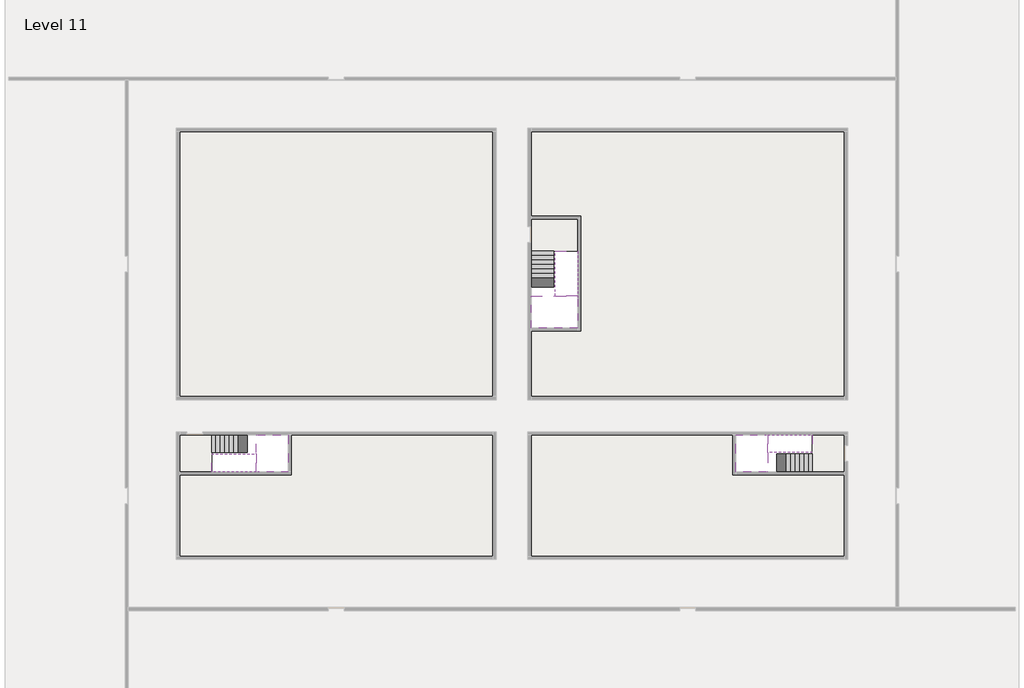
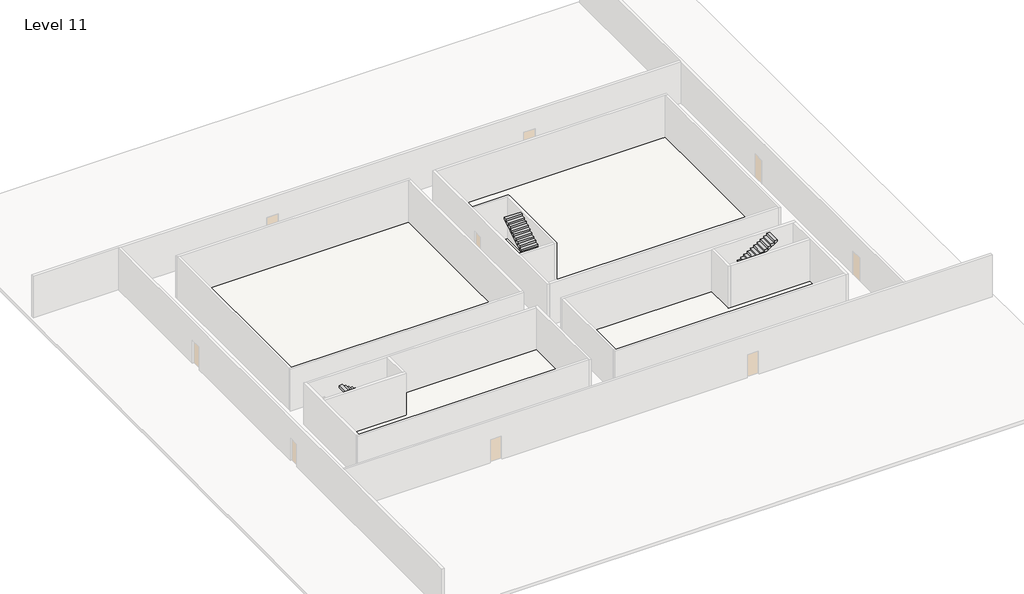
# One storey, part 2 of 2: 6 stair flights, 5 slabs.
"""IFC4 building model written with IfcOpenShell, lengths in millimetres."""

from ifc_helpers import new_model, si_unit, frame, origin, place, context, project, spatial, polyline, outline, extrude, faceted_brep, element, save

model = new_model("IFC4")

# Units and contexts
model_context = context("Model", 3, world=origin())
ifc_project = project(units=[si_unit("LENGTHUNIT", "METRE", prefix="MILLI")], contexts=[model_context])

# Site, building, storey
site = spatial("IfcSite", under=ifc_project)
building = spatial("IfcBuilding", under=site)
storey = spatial("IfcBuildingStorey", under=building, Name="Level 11", Elevation=38000.0)

# Slabs
placement = place(None, origin())
element("IfcSlab", 1, at=placement, inside=storey, context=model_context, shape_type="Brep", body=[
    faceted_brep([(8190.1058784, -42918.09644, 39900.0), (8190.1058784, -44018.09644, 39900.0), (8190.1058784, -44118.09644, 39900.0), (8190.1058784, -45218.09644, 39900.0), (8390.7194421, -45218.09644, 39900.0), (10190.1058784, -45218.09644, 39900.0), (10190.1058784, -42918.09644, 39900.0), (8269.4923146, -42918.09644, 39900.0), (8190.1058784, -42918.09644, 39727.2727273), (8190.1058784, -42918.09644, 39551.0278478), (8190.1058784, -44018.09644, 39551.0278478), (8190.1058784, -44018.09644, 39600.0), (8190.1058784, -44118.09644, 39600.0), (8190.1058784, -44118.09644, 39723.7551205), (8190.1058784, -45218.09644, 39723.7551205), (8390.7194421, -45218.09644, 39600.0), (10190.1058784, -45218.09644, 39600.0), (10190.1058784, -42918.09644, 39600.0), (8269.4923146, -42918.09644, 39600.0), (8390.7194421, -44118.09644, 39600.0), (8269.4923146, -44018.09644, 39600.0)], [[[0, 1, 2, 3, 4, 5, 6, 7]], [[1, 0, 8, 9, 10, 11]], [[2, 1, 11, 12, 13]], [[3, 2, 13, 14]], [[3, 14, 15, 16, 5, 4]], [[6, 5, 16, 17]], [[9, 8, 0, 7, 6, 17, 18]], [[19, 12, 11, 20, 18, 17, 16, 15]], [[12, 19, 13]], [[18, 20, 10, 9]], [[20, 11, 10]], [[19, 15, 14, 13]]]),
])
element("IfcSlab", 2, at=placement, inside=storey, context=model_context, shape_type="Brep", body=[
    faceted_brep([(40190.1058784, -45218.09644, 39900.0), (40190.1058784, -44118.09644, 39900.0), (40190.1058784, -44018.09644, 39900.0), (40190.1058784, -42918.09644, 39900.0), (39989.4923146, -42918.09644, 39900.0), (38190.1058784, -42918.09644, 39900.0), (38190.1058784, -45218.09644, 39900.0), (40110.7194421, -45218.09644, 39900.0), (40190.1058784, -45218.09644, 39727.2727273), (40190.1058784, -45218.09644, 39551.0278478), (40190.1058784, -44118.09644, 39551.0278478), (40190.1058784, -44118.09644, 39600.0), (40190.1058784, -44018.09644, 39600.0), (40190.1058784, -44018.09644, 39723.7551205), (40190.1058784, -42918.09644, 39723.7551205), (39989.4923146, -42918.09644, 39600.0), (38190.1058784, -42918.09644, 39600.0), (38190.1058784, -45218.09644, 39600.0), (40110.7194421, -45218.09644, 39600.0), (39989.4923146, -44018.09644, 39600.0), (40110.7194421, -44118.09644, 39600.0)], [[[0, 1, 2, 3, 4, 5, 6, 7]], [[1, 0, 8, 9, 10, 11]], [[2, 1, 11, 12, 13]], [[3, 2, 13, 14]], [[3, 14, 15, 16, 5, 4]], [[6, 5, 16, 17]], [[9, 8, 0, 7, 6, 17, 18]], [[19, 12, 11, 20, 18, 17, 16, 15]], [[12, 19, 13]], [[18, 20, 10, 9]], [[20, 11, 10]], [[19, 15, 14, 13]]]),
])
element("IfcSlab", 3, at=placement, inside=storey, context=model_context, shape_type="Brep", body=[
    faceted_brep([(26790.1058784, -34218.09644, 39900.0), (25390.1058784, -34218.09644, 39900.0), (25390.1058784, -34297.4828763, 39900.0), (25390.1058784, -36218.09644, 39900.0), (28290.1058784, -36218.09644, 39900.0), (28290.1058784, -34418.7100038, 39900.0), (28290.1058784, -34218.09644, 39900.0), (26890.1058784, -34218.09644, 39900.0), (26790.1058784, -34218.09644, 39600.0), (26790.1058784, -34218.09644, 39551.0278478), (25390.1058784, -34218.09644, 39551.0278478), (25390.1058784, -34218.09644, 39727.2727273), (25390.1058784, -34297.4828763, 39600.0), (25390.1058784, -36218.09644, 39600.0), (28290.1058784, -36218.09644, 39600.0), (28290.1058784, -34418.7100038, 39600.0), (28290.1058784, -34218.09644, 39723.7551205), (26890.1058784, -34218.09644, 39723.7551205), (26890.1058784, -34218.09644, 39600.0), (26890.1058784, -34418.7100038, 39600.0), (26790.1058784, -34297.4828763, 39600.0)], [[[0, 1, 2, 3, 4, 5, 6, 7]], [[1, 0, 8, 9, 10, 11]], [[1, 11, 10, 12, 13, 3, 2]], [[4, 3, 13, 14]], [[4, 14, 15, 16, 6, 5]], [[7, 6, 16, 17]], [[0, 7, 17, 18, 8]], [[18, 19, 15, 14, 13, 12, 20, 8]], [[19, 18, 17]], [[20, 12, 10, 9]], [[8, 20, 9]], [[15, 19, 17, 16]]]),
])
element("IfcSlab", 4, at=placement, inside=storey, context=model_context, shape_type="SweptSolid", body=[
    extrude(outline(polyline([(22990.1058784, -23918.09644), (22990.1058784, -40518.09644), (3390.1058784, -40518.09644), (3390.1058784, -23918.09644), (22990.1058784, -23918.09644)])), frame((0.0, 0.0, 37700.0), z_axis=(0.0, 0.0, 1.0), x_axis=(1.0, 0.0, 0.0)), (0.0, 0.0, 1.0), 300.0),
    extrude(outline(polyline([(44990.1058784, -23918.09644), (44990.1058784, -40518.09644), (25390.1058784, -40518.09644), (25390.1058784, -36418.09644), (28490.1058784, -36418.09644), (28490.1058784, -29218.09644), (25390.1058784, -29218.09644), (25390.1058784, -23918.09644), (44990.1058784, -23918.09644)])), frame((0.0, 0.0, 37700.0), z_axis=(0.0, 0.0, 1.0), x_axis=(1.0, 0.0, 0.0)), (0.0, 0.0, 1.0), 300.0),
    extrude(outline(polyline([(22990.1058784, -42918.09644), (22990.1058784, -50518.09644), (3390.1058784, -50518.09644), (3390.1058784, -45418.09644), (10390.1058784, -45418.09644), (10390.1058784, -42918.09644), (22990.1058784, -42918.09644)])), frame((0.0, 0.0, 37700.0), z_axis=(0.0, 0.0, 1.0), x_axis=(1.0, 0.0, 0.0)), (0.0, 0.0, 1.0), 300.0),
    extrude(outline(polyline([(37990.1058784, -42918.09644), (37990.1058784, -45418.09644), (44990.1058784, -45418.09644), (44990.1058784, -50518.09644), (25390.1058784, -50518.09644), (25390.1058784, -42918.09644), (37990.1058784, -42918.09644)])), frame((0.0, 0.0, 37700.0), z_axis=(0.0, 0.0, 1.0), x_axis=(1.0, 0.0, 0.0)), (0.0, 0.0, 1.0), 300.0),
])
element("IfcSlab", 5, at=placement, inside=storey, context=model_context, shape_type="SweptSolid", body=[
    extrude(outline(polyline([(44990.1058784, -42918.09644), (44990.1058784, -45218.09644), (42990.1058784, -45218.09644), (42990.1058784, -42918.09644), (44990.1058784, -42918.09644)])), frame((0.0, 0.0, 37700.0), z_axis=(0.0, 0.0, 1.0), x_axis=(1.0, 0.0, 0.0)), (0.0, 0.0, 1.0), 300.0),
    extrude(outline(polyline([(5390.1058784, -42918.09644), (5390.1058784, -45218.09644), (3390.1058784, -45218.09644), (3390.1058784, -42918.09644), (5390.1058784, -42918.09644)])), frame((0.0, 0.0, 37700.0), z_axis=(0.0, 0.0, 1.0), x_axis=(1.0, 0.0, 0.0)), (0.0, 0.0, 1.0), 300.0),
    extrude(outline(polyline([(28290.1058784, -29418.09644), (28290.1058784, -31418.09644), (25390.1058784, -31418.09644), (25390.1058784, -29418.09644), (28290.1058784, -29418.09644)])), frame((0.0, 0.0, 37700.0), z_axis=(0.0, 0.0, 1.0), x_axis=(1.0, 0.0, 0.0)), (0.0, 0.0, 1.0), 300.0),
])

# Stair flights
element("IfcStairFlight", 6, at=placement, inside=storey, context=model_context, shape_type="Brep", body=[
    faceted_brep([(5670.1058784, -42918.09644, 38172.7272727), (5390.1058784, -42918.09644, 38172.7272727), (5390.1058784, -44018.09644, 38172.7272727), (5670.1058784, -44018.09644, 38172.7272727), (5670.1058784, -42918.09644, 38000.0), (5390.1058784, -42918.09644, 38000.0), (5390.1058784, -44018.09644, 38000.0), (5670.1058784, -44018.09644, 38000.0), (5950.1058784, -42918.09644, 38345.4545455), (5670.1058784, -42918.09644, 38345.4545455), (5670.1058784, -44018.09644, 38345.4545455), (5950.1058784, -44018.09644, 38345.4545455), (5950.1058784, -42918.09644, 38169.209666), (5675.8081041, -42918.09644, 38000.0), (5675.8081041, -44018.09644, 38000.0), (5950.1058784, -44018.09644, 38169.209666), (6230.1058784, -42918.09644, 38518.1818182), (5950.1058784, -42918.09644, 38518.1818182), (5950.1058784, -44018.09644, 38518.1818182), (6230.1058784, -44018.09644, 38518.1818182), (6230.1058784, -42918.09644, 38341.9369387), (6230.1058784, -44018.09644, 38341.9369387), (6510.1058784, -42918.09644, 38690.9090909), (6230.1058784, -42918.09644, 38690.9090909), (6230.1058784, -44018.09644, 38690.9090909), (6510.1058784, -44018.09644, 38690.9090909), (6510.1058784, -42918.09644, 38514.6642114), (6510.1058784, -44018.09644, 38514.6642114), (6790.1058784, -42918.09644, 38863.6363636), (6510.1058784, -42918.09644, 38863.6363636), (6510.1058784, -44018.09644, 38863.6363636), (6790.1058784, -44018.09644, 38863.6363636), (6790.1058784, -42918.09644, 38687.3914841), (6790.1058784, -44018.09644, 38687.3914841), (7070.1058784, -42918.09644, 39036.3636364), (6790.1058784, -42918.09644, 39036.3636364), (6790.1058784, -44018.09644, 39036.3636364), (7070.1058784, -44018.09644, 39036.3636364), (7070.1058784, -42918.09644, 38860.1187569), (7070.1058784, -44018.09644, 38860.1187569), (7350.1058784, -42918.09644, 39209.0909091), (7070.1058784, -42918.09644, 39209.0909091), (7070.1058784, -44018.09644, 39209.0909091), (7350.1058784, -44018.09644, 39209.0909091), (7350.1058784, -42918.09644, 39032.8460296), (7350.1058784, -44018.09644, 39032.8460296), (7630.1058784, -42918.09644, 39381.8181818), (7350.1058784, -42918.09644, 39381.8181818), (7350.1058784, -44018.09644, 39381.8181818), (7630.1058784, -44018.09644, 39381.8181818), (7630.1058784, -42918.09644, 39205.5733023), (7630.1058784, -44018.09644, 39205.5733023), (7910.1058784, -42918.09644, 39554.5454545), (7630.1058784, -42918.09644, 39554.5454545), (7630.1058784, -44018.09644, 39554.5454545), (7910.1058784, -44018.09644, 39554.5454545), (7910.1058784, -42918.09644, 39378.3005751), (7910.1058784, -44018.09644, 39378.3005751), (8190.1058784, -42918.09644, 39727.2727273), (7910.1058784, -42918.09644, 39727.2727273), (7910.1058784, -44018.09644, 39727.2727273), (8190.1058784, -44018.09644, 39727.2727273), (8190.1058784, -42918.09644, 39551.0278478), (8190.1058784, -44018.09644, 39551.0278478), (8190.1058784, -44018.09644, 39600.0)], [[[0, 1, 2, 3]], [[1, 0, 4, 5]], [[2, 1, 5, 6]], [[3, 2, 6, 7]], [[8, 9, 10, 11]], [[4, 0, 9, 8, 12, 13]], [[0, 3, 10, 9]], [[3, 7, 14, 15, 11, 10]], [[16, 17, 18, 19]], [[17, 16, 20, 12, 8]], [[8, 11, 18, 17]], [[19, 18, 11, 15, 21]], [[22, 23, 24, 25]], [[23, 22, 26, 20, 16]], [[16, 19, 24, 23]], [[25, 24, 19, 21, 27]], [[28, 29, 30, 31]], [[29, 28, 32, 26, 22]], [[22, 25, 30, 29]], [[31, 30, 25, 27, 33]], [[34, 35, 36, 37]], [[35, 34, 38, 32, 28]], [[28, 31, 36, 35]], [[37, 36, 31, 33, 39]], [[40, 41, 42, 43]], [[41, 40, 44, 38, 34]], [[34, 37, 42, 41]], [[43, 42, 37, 39, 45]], [[46, 47, 48, 49]], [[47, 46, 50, 44, 40]], [[40, 43, 48, 47]], [[49, 48, 43, 45, 51]], [[52, 53, 54, 55]], [[53, 52, 56, 50, 46]], [[46, 49, 54, 53]], [[55, 54, 49, 51, 57]], [[58, 59, 60, 61]], [[59, 58, 62, 56, 52]], [[52, 55, 60, 59]], [[61, 60, 55, 57, 63, 64]], [[58, 61, 64, 63, 62]], [[5, 4, 13, 14, 7, 6]], [[14, 13, 12, 20, 26, 32, 38, 44, 50, 56, 62, 63, 57, 51, 45, 39, 33, 27, 21, 15]]]),
])
element("IfcStairFlight", 7, at=placement, inside=storey, context=model_context, shape_type="Brep", body=[
    faceted_brep([(7910.1058784, -45218.09644, 40072.7272727), (8190.1058784, -45218.09644, 40072.7272727), (8190.1058784, -44118.09644, 40072.7272727), (7910.1058784, -44118.09644, 40072.7272727), (7910.1058784, -45218.09644, 39896.4823932), (8190.1058784, -45218.09644, 39723.7551205), (8190.1058784, -45218.09644, 39900.0), (8190.1058784, -44118.09644, 39723.7551205), (7910.1058784, -44118.09644, 39896.4823932), (7630.1058784, -45218.09644, 40245.4545455), (7910.1058784, -45218.09644, 40245.4545455), (7910.1058784, -44118.09644, 40245.4545455), (7630.1058784, -44118.09644, 40245.4545455), (7630.1058784, -45218.09644, 40069.209666), (7630.1058784, -44118.09644, 40069.209666), (7350.1058784, -45218.09644, 40418.1818182), (7630.1058784, -45218.09644, 40418.1818182), (7630.1058784, -44118.09644, 40418.1818182), (7350.1058784, -44118.09644, 40418.1818182), (7350.1058784, -45218.09644, 40241.9369387), (7350.1058784, -44118.09644, 40241.9369387), (7070.1058784, -45218.09644, 40590.9090909), (7350.1058784, -45218.09644, 40590.9090909), (7350.1058784, -44118.09644, 40590.9090909), (7070.1058784, -44118.09644, 40590.9090909), (7070.1058784, -45218.09644, 40414.6642114), (7070.1058784, -44118.09644, 40414.6642114), (6790.1058784, -45218.09644, 40763.6363636), (7070.1058784, -45218.09644, 40763.6363636), (7070.1058784, -44118.09644, 40763.6363636), (6790.1058784, -44118.09644, 40763.6363636), (6790.1058784, -45218.09644, 40587.3914841), (6790.1058784, -44118.09644, 40587.3914841), (6510.1058784, -45218.09644, 40936.3636364), (6790.1058784, -45218.09644, 40936.3636364), (6790.1058784, -44118.09644, 40936.3636364), (6510.1058784, -44118.09644, 40936.3636364), (6510.1058784, -45218.09644, 40760.1187569), (6510.1058784, -44118.09644, 40760.1187569), (6230.1058784, -45218.09644, 41109.0909091), (6510.1058784, -45218.09644, 41109.0909091), (6510.1058784, -44118.09644, 41109.0909091), (6230.1058784, -44118.09644, 41109.0909091), (6230.1058784, -45218.09644, 40932.8460296), (6230.1058784, -44118.09644, 40932.8460296), (5950.1058784, -45218.09644, 41281.8181818), (6230.1058784, -45218.09644, 41281.8181818), (6230.1058784, -44118.09644, 41281.8181818), (5950.1058784, -44118.09644, 41281.8181818), (5950.1058784, -45218.09644, 41105.5733023), (5950.1058784, -44118.09644, 41105.5733023), (5670.1058784, -45218.09644, 41454.5454545), (5950.1058784, -45218.09644, 41454.5454545), (5950.1058784, -44118.09644, 41454.5454545), (5670.1058784, -44118.09644, 41454.5454545), (5670.1058784, -45218.09644, 41278.3005751), (5670.1058784, -44118.09644, 41278.3005751), (5390.1058784, -45218.09644, 41627.2727273), (5670.1058784, -45218.09644, 41627.2727273), (5670.1058784, -44118.09644, 41627.2727273), (5390.1058784, -44118.09644, 41627.2727273), (5390.1058784, -45218.09644, 41451.0278478), (5390.1058784, -44118.09644, 41451.0278478)], [[[0, 1, 2, 3]], [[1, 0, 4, 5, 6]], [[2, 1, 6, 5, 7]], [[3, 2, 7, 8]], [[9, 10, 11, 12]], [[10, 9, 13, 4, 0]], [[11, 10, 0, 3]], [[12, 11, 3, 8, 14]], [[15, 16, 17, 18]], [[16, 15, 19, 13, 9]], [[17, 16, 9, 12]], [[18, 17, 12, 14, 20]], [[21, 22, 23, 24]], [[22, 21, 25, 19, 15]], [[23, 22, 15, 18]], [[24, 23, 18, 20, 26]], [[27, 28, 29, 30]], [[28, 27, 31, 25, 21]], [[29, 28, 21, 24]], [[30, 29, 24, 26, 32]], [[33, 34, 35, 36]], [[34, 33, 37, 31, 27]], [[35, 34, 27, 30]], [[36, 35, 30, 32, 38]], [[39, 40, 41, 42]], [[40, 39, 43, 37, 33]], [[41, 40, 33, 36]], [[42, 41, 36, 38, 44]], [[45, 46, 47, 48]], [[46, 45, 49, 43, 39]], [[47, 46, 39, 42]], [[48, 47, 42, 44, 50]], [[51, 52, 53, 54]], [[52, 51, 55, 49, 45]], [[53, 52, 45, 48]], [[54, 53, 48, 50, 56]], [[57, 58, 59, 60]], [[58, 57, 61, 55, 51]], [[59, 58, 51, 54]], [[60, 59, 54, 56, 62]], [[57, 60, 62, 61]], [[5, 4, 13, 19, 25, 31, 37, 43, 49, 55, 61, 62, 56, 50, 44, 38, 32, 26, 20, 14, 8, 7]]]),
])
element("IfcStairFlight", 8, at=placement, inside=storey, context=model_context, shape_type="Brep", body=[
    faceted_brep([(42710.1058784, -45218.09644, 38172.7272727), (42990.1058784, -45218.09644, 38172.7272727), (42990.1058784, -44118.09644, 38172.7272727), (42710.1058784, -44118.09644, 38172.7272727), (42710.1058784, -45218.09644, 38000.0), (42990.1058784, -45218.09644, 38000.0), (42990.1058784, -44118.09644, 38000.0), (42710.1058784, -44118.09644, 38000.0), (42430.1058784, -45218.09644, 38345.4545455), (42710.1058784, -45218.09644, 38345.4545455), (42710.1058784, -44118.09644, 38345.4545455), (42430.1058784, -44118.09644, 38345.4545455), (42430.1058784, -45218.09644, 38169.209666), (42704.4036527, -45218.09644, 38000.0), (42704.4036527, -44118.09644, 38000.0), (42430.1058784, -44118.09644, 38169.209666), (42150.1058784, -45218.09644, 38518.1818182), (42430.1058784, -45218.09644, 38518.1818182), (42430.1058784, -44118.09644, 38518.1818182), (42150.1058784, -44118.09644, 38518.1818182), (42150.1058784, -45218.09644, 38341.9369387), (42150.1058784, -44118.09644, 38341.9369387), (41870.1058784, -45218.09644, 38690.9090909), (42150.1058784, -45218.09644, 38690.9090909), (42150.1058784, -44118.09644, 38690.9090909), (41870.1058784, -44118.09644, 38690.9090909), (41870.1058784, -45218.09644, 38514.6642114), (41870.1058784, -44118.09644, 38514.6642114), (41590.1058784, -45218.09644, 38863.6363636), (41870.1058784, -45218.09644, 38863.6363636), (41870.1058784, -44118.09644, 38863.6363636), (41590.1058784, -44118.09644, 38863.6363636), (41590.1058784, -45218.09644, 38687.3914841), (41590.1058784, -44118.09644, 38687.3914841), (41310.1058784, -45218.09644, 39036.3636364), (41590.1058784, -45218.09644, 39036.3636364), (41590.1058784, -44118.09644, 39036.3636364), (41310.1058784, -44118.09644, 39036.3636364), (41310.1058784, -45218.09644, 38860.1187569), (41310.1058784, -44118.09644, 38860.1187569), (41030.1058784, -45218.09644, 39209.0909091), (41310.1058784, -45218.09644, 39209.0909091), (41310.1058784, -44118.09644, 39209.0909091), (41030.1058784, -44118.09644, 39209.0909091), (41030.1058784, -45218.09644, 39032.8460296), (41030.1058784, -44118.09644, 39032.8460296), (40750.1058784, -45218.09644, 39381.8181818), (41030.1058784, -45218.09644, 39381.8181818), (41030.1058784, -44118.09644, 39381.8181818), (40750.1058784, -44118.09644, 39381.8181818), (40750.1058784, -45218.09644, 39205.5733023), (40750.1058784, -44118.09644, 39205.5733023), (40470.1058784, -45218.09644, 39554.5454545), (40750.1058784, -45218.09644, 39554.5454545), (40750.1058784, -44118.09644, 39554.5454545), (40470.1058784, -44118.09644, 39554.5454545), (40470.1058784, -45218.09644, 39378.3005751), (40470.1058784, -44118.09644, 39378.3005751), (40190.1058784, -45218.09644, 39727.2727273), (40470.1058784, -45218.09644, 39727.2727273), (40470.1058784, -44118.09644, 39727.2727273), (40190.1058784, -44118.09644, 39727.2727273), (40190.1058784, -45218.09644, 39551.0278478), (40190.1058784, -44118.09644, 39551.0278478), (40190.1058784, -44118.09644, 39600.0)], [[[0, 1, 2, 3]], [[1, 0, 4, 5]], [[2, 1, 5, 6]], [[3, 2, 6, 7]], [[8, 9, 10, 11]], [[4, 0, 9, 8, 12, 13]], [[0, 3, 10, 9]], [[3, 7, 14, 15, 11, 10]], [[16, 17, 18, 19]], [[17, 16, 20, 12, 8]], [[8, 11, 18, 17]], [[19, 18, 11, 15, 21]], [[22, 23, 24, 25]], [[23, 22, 26, 20, 16]], [[16, 19, 24, 23]], [[25, 24, 19, 21, 27]], [[28, 29, 30, 31]], [[29, 28, 32, 26, 22]], [[22, 25, 30, 29]], [[31, 30, 25, 27, 33]], [[34, 35, 36, 37]], [[35, 34, 38, 32, 28]], [[28, 31, 36, 35]], [[37, 36, 31, 33, 39]], [[40, 41, 42, 43]], [[41, 40, 44, 38, 34]], [[34, 37, 42, 41]], [[43, 42, 37, 39, 45]], [[46, 47, 48, 49]], [[47, 46, 50, 44, 40]], [[40, 43, 48, 47]], [[49, 48, 43, 45, 51]], [[52, 53, 54, 55]], [[53, 52, 56, 50, 46]], [[46, 49, 54, 53]], [[55, 54, 49, 51, 57]], [[58, 59, 60, 61]], [[59, 58, 62, 56, 52]], [[52, 55, 60, 59]], [[61, 60, 55, 57, 63, 64]], [[58, 61, 64, 63, 62]], [[5, 4, 13, 14, 7, 6]], [[14, 13, 12, 20, 26, 32, 38, 44, 50, 56, 62, 63, 57, 51, 45, 39, 33, 27, 21, 15]]]),
])
element("IfcStairFlight", 9, at=placement, inside=storey, context=model_context, shape_type="Brep", body=[
    faceted_brep([(40470.1058784, -42918.09644, 40072.7272727), (40190.1058784, -42918.09644, 40072.7272727), (40190.1058784, -44018.09644, 40072.7272727), (40470.1058784, -44018.09644, 40072.7272727), (40470.1058784, -42918.09644, 39896.4823932), (40190.1058784, -42918.09644, 39723.7551205), (40190.1058784, -42918.09644, 39900.0), (40190.1058784, -44018.09644, 39723.7551205), (40470.1058784, -44018.09644, 39896.4823932), (40750.1058784, -42918.09644, 40245.4545455), (40470.1058784, -42918.09644, 40245.4545455), (40470.1058784, -44018.09644, 40245.4545455), (40750.1058784, -44018.09644, 40245.4545455), (40750.1058784, -42918.09644, 40069.209666), (40750.1058784, -44018.09644, 40069.209666), (41030.1058784, -42918.09644, 40418.1818182), (40750.1058784, -42918.09644, 40418.1818182), (40750.1058784, -44018.09644, 40418.1818182), (41030.1058784, -44018.09644, 40418.1818182), (41030.1058784, -42918.09644, 40241.9369387), (41030.1058784, -44018.09644, 40241.9369387), (41310.1058784, -42918.09644, 40590.9090909), (41030.1058784, -42918.09644, 40590.9090909), (41030.1058784, -44018.09644, 40590.9090909), (41310.1058784, -44018.09644, 40590.9090909), (41310.1058784, -42918.09644, 40414.6642114), (41310.1058784, -44018.09644, 40414.6642114), (41590.1058784, -42918.09644, 40763.6363636), (41310.1058784, -42918.09644, 40763.6363636), (41310.1058784, -44018.09644, 40763.6363636), (41590.1058784, -44018.09644, 40763.6363636), (41590.1058784, -42918.09644, 40587.3914841), (41590.1058784, -44018.09644, 40587.3914841), (41870.1058784, -42918.09644, 40936.3636364), (41590.1058784, -42918.09644, 40936.3636364), (41590.1058784, -44018.09644, 40936.3636364), (41870.1058784, -44018.09644, 40936.3636364), (41870.1058784, -42918.09644, 40760.1187569), (41870.1058784, -44018.09644, 40760.1187569), (42150.1058784, -42918.09644, 41109.0909091), (41870.1058784, -42918.09644, 41109.0909091), (41870.1058784, -44018.09644, 41109.0909091), (42150.1058784, -44018.09644, 41109.0909091), (42150.1058784, -42918.09644, 40932.8460296), (42150.1058784, -44018.09644, 40932.8460296), (42430.1058784, -42918.09644, 41281.8181818), (42150.1058784, -42918.09644, 41281.8181818), (42150.1058784, -44018.09644, 41281.8181818), (42430.1058784, -44018.09644, 41281.8181818), (42430.1058784, -42918.09644, 41105.5733023), (42430.1058784, -44018.09644, 41105.5733023), (42710.1058784, -42918.09644, 41454.5454545), (42430.1058784, -42918.09644, 41454.5454545), (42430.1058784, -44018.09644, 41454.5454545), (42710.1058784, -44018.09644, 41454.5454545), (42710.1058784, -42918.09644, 41278.3005751), (42710.1058784, -44018.09644, 41278.3005751), (42990.1058784, -42918.09644, 41627.2727273), (42710.1058784, -42918.09644, 41627.2727273), (42710.1058784, -44018.09644, 41627.2727273), (42990.1058784, -44018.09644, 41627.2727273), (42990.1058784, -42918.09644, 41451.0278478), (42990.1058784, -44018.09644, 41451.0278478)], [[[0, 1, 2, 3]], [[1, 0, 4, 5, 6]], [[2, 1, 6, 5, 7]], [[3, 2, 7, 8]], [[9, 10, 11, 12]], [[10, 9, 13, 4, 0]], [[11, 10, 0, 3]], [[12, 11, 3, 8, 14]], [[15, 16, 17, 18]], [[16, 15, 19, 13, 9]], [[17, 16, 9, 12]], [[18, 17, 12, 14, 20]], [[21, 22, 23, 24]], [[22, 21, 25, 19, 15]], [[23, 22, 15, 18]], [[24, 23, 18, 20, 26]], [[27, 28, 29, 30]], [[28, 27, 31, 25, 21]], [[29, 28, 21, 24]], [[30, 29, 24, 26, 32]], [[33, 34, 35, 36]], [[34, 33, 37, 31, 27]], [[35, 34, 27, 30]], [[36, 35, 30, 32, 38]], [[39, 40, 41, 42]], [[40, 39, 43, 37, 33]], [[41, 40, 33, 36]], [[42, 41, 36, 38, 44]], [[45, 46, 47, 48]], [[46, 45, 49, 43, 39]], [[47, 46, 39, 42]], [[48, 47, 42, 44, 50]], [[51, 52, 53, 54]], [[52, 51, 55, 49, 45]], [[53, 52, 45, 48]], [[54, 53, 48, 50, 56]], [[57, 58, 59, 60]], [[58, 57, 61, 55, 51]], [[59, 58, 51, 54]], [[60, 59, 54, 56, 62]], [[57, 60, 62, 61]], [[5, 4, 13, 19, 25, 31, 37, 43, 49, 55, 61, 62, 56, 50, 44, 38, 32, 26, 20, 14, 8, 7]]]),
])
element("IfcStairFlight", 10, at=placement, inside=storey, context=model_context, shape_type="Brep", body=[
    faceted_brep([(26790.1058784, -31698.09644, 38172.7272727), (26790.1058784, -31418.09644, 38172.7272727), (25390.1058784, -31418.09644, 38172.7272727), (25390.1058784, -31698.09644, 38172.7272727), (26790.1058784, -31698.09644, 38000.0), (26790.1058784, -31418.09644, 38000.0), (25390.1058784, -31418.09644, 38000.0), (25390.1058784, -31698.09644, 38000.0), (26790.1058784, -31978.09644, 38345.4545455), (26790.1058784, -31698.09644, 38345.4545455), (25390.1058784, -31698.09644, 38345.4545455), (25390.1058784, -31978.09644, 38345.4545455), (26790.1058784, -31978.09644, 38169.209666), (26790.1058784, -31703.7986657, 38000.0), (25390.1058784, -31703.7986657, 38000.0), (25390.1058784, -31978.09644, 38169.209666), (26790.1058784, -32258.09644, 38518.1818182), (26790.1058784, -31978.09644, 38518.1818182), (25390.1058784, -31978.09644, 38518.1818182), (25390.1058784, -32258.09644, 38518.1818182), (26790.1058784, -32258.09644, 38341.9369387), (25390.1058784, -32258.09644, 38341.9369387), (26790.1058784, -32538.09644, 38690.9090909), (26790.1058784, -32258.09644, 38690.9090909), (25390.1058784, -32258.09644, 38690.9090909), (25390.1058784, -32538.09644, 38690.9090909), (26790.1058784, -32538.09644, 38514.6642114), (25390.1058784, -32538.09644, 38514.6642114), (26790.1058784, -32818.09644, 38863.6363636), (26790.1058784, -32538.09644, 38863.6363636), (25390.1058784, -32538.09644, 38863.6363636), (25390.1058784, -32818.09644, 38863.6363636), (26790.1058784, -32818.09644, 38687.3914841), (25390.1058784, -32818.09644, 38687.3914841), (26790.1058784, -33098.09644, 39036.3636364), (26790.1058784, -32818.09644, 39036.3636364), (25390.1058784, -32818.09644, 39036.3636364), (25390.1058784, -33098.09644, 39036.3636364), (26790.1058784, -33098.09644, 38860.1187569), (25390.1058784, -33098.09644, 38860.1187569), (26790.1058784, -33378.09644, 39209.0909091), (26790.1058784, -33098.09644, 39209.0909091), (25390.1058784, -33098.09644, 39209.0909091), (25390.1058784, -33378.09644, 39209.0909091), (26790.1058784, -33378.09644, 39032.8460296), (25390.1058784, -33378.09644, 39032.8460296), (26790.1058784, -33658.09644, 39381.8181818), (26790.1058784, -33378.09644, 39381.8181818), (25390.1058784, -33378.09644, 39381.8181818), (25390.1058784, -33658.09644, 39381.8181818), (26790.1058784, -33658.09644, 39205.5733023), (25390.1058784, -33658.09644, 39205.5733023), (26790.1058784, -33938.09644, 39554.5454545), (26790.1058784, -33658.09644, 39554.5454545), (25390.1058784, -33658.09644, 39554.5454545), (25390.1058784, -33938.09644, 39554.5454545), (26790.1058784, -33938.09644, 39378.3005751), (25390.1058784, -33938.09644, 39378.3005751), (26790.1058784, -34218.09644, 39727.2727273), (26790.1058784, -33938.09644, 39727.2727273), (25390.1058784, -33938.09644, 39727.2727273), (25390.1058784, -34218.09644, 39727.2727273), (26790.1058784, -34218.09644, 39600.0), (26790.1058784, -34218.09644, 39551.0278478), (25390.1058784, -34218.09644, 39551.0278478)], [[[0, 1, 2, 3]], [[1, 0, 4, 5]], [[2, 1, 5, 6]], [[3, 2, 6, 7]], [[8, 9, 10, 11]], [[4, 0, 9, 8, 12, 13]], [[0, 3, 10, 9]], [[3, 7, 14, 15, 11, 10]], [[16, 17, 18, 19]], [[17, 16, 20, 12, 8]], [[8, 11, 18, 17]], [[19, 18, 11, 15, 21]], [[22, 23, 24, 25]], [[23, 22, 26, 20, 16]], [[16, 19, 24, 23]], [[25, 24, 19, 21, 27]], [[28, 29, 30, 31]], [[29, 28, 32, 26, 22]], [[22, 25, 30, 29]], [[31, 30, 25, 27, 33]], [[34, 35, 36, 37]], [[35, 34, 38, 32, 28]], [[28, 31, 36, 35]], [[37, 36, 31, 33, 39]], [[40, 41, 42, 43]], [[41, 40, 44, 38, 34]], [[34, 37, 42, 41]], [[43, 42, 37, 39, 45]], [[46, 47, 48, 49]], [[47, 46, 50, 44, 40]], [[40, 43, 48, 47]], [[49, 48, 43, 45, 51]], [[52, 53, 54, 55]], [[53, 52, 56, 50, 46]], [[46, 49, 54, 53]], [[55, 54, 49, 51, 57]], [[58, 59, 60, 61]], [[59, 58, 62, 63, 56, 52]], [[52, 55, 60, 59]], [[61, 60, 55, 57, 64]], [[58, 61, 64, 63, 62]], [[5, 4, 13, 14, 7, 6]], [[14, 13, 12, 20, 26, 32, 38, 44, 50, 56, 63, 64, 57, 51, 45, 39, 33, 27, 21, 15]]]),
])
element("IfcStairFlight", 11, at=placement, inside=storey, context=model_context, shape_type="Brep", body=[
    faceted_brep([(26890.1058784, -33938.09644, 40072.7272727), (26890.1058784, -34218.09644, 40072.7272727), (28290.1058784, -34218.09644, 40072.7272727), (28290.1058784, -33938.09644, 40072.7272727), (26890.1058784, -33938.09644, 39896.4823932), (26890.1058784, -34218.09644, 39723.7551205), (28290.1058784, -34218.09644, 39723.7551205), (28290.1058784, -34218.09644, 39900.0), (28290.1058784, -33938.09644, 39896.4823932), (26890.1058784, -33658.09644, 40245.4545455), (26890.1058784, -33938.09644, 40245.4545455), (28290.1058784, -33938.09644, 40245.4545455), (28290.1058784, -33658.09644, 40245.4545455), (26890.1058784, -33658.09644, 40069.209666), (28290.1058784, -33658.09644, 40069.209666), (26890.1058784, -33378.09644, 40418.1818182), (26890.1058784, -33658.09644, 40418.1818182), (28290.1058784, -33658.09644, 40418.1818182), (28290.1058784, -33378.09644, 40418.1818182), (26890.1058784, -33378.09644, 40241.9369387), (28290.1058784, -33378.09644, 40241.9369387), (26890.1058784, -33098.09644, 40590.9090909), (26890.1058784, -33378.09644, 40590.9090909), (28290.1058784, -33378.09644, 40590.9090909), (28290.1058784, -33098.09644, 40590.9090909), (26890.1058784, -33098.09644, 40414.6642114), (28290.1058784, -33098.09644, 40414.6642114), (26890.1058784, -32818.09644, 40763.6363636), (26890.1058784, -33098.09644, 40763.6363636), (28290.1058784, -33098.09644, 40763.6363636), (28290.1058784, -32818.09644, 40763.6363636), (26890.1058784, -32818.09644, 40587.3914841), (28290.1058784, -32818.09644, 40587.3914841), (26890.1058784, -32538.09644, 40936.3636364), (26890.1058784, -32818.09644, 40936.3636364), (28290.1058784, -32818.09644, 40936.3636364), (28290.1058784, -32538.09644, 40936.3636364), (26890.1058784, -32538.09644, 40760.1187569), (28290.1058784, -32538.09644, 40760.1187569), (26890.1058784, -32258.09644, 41109.0909091), (26890.1058784, -32538.09644, 41109.0909091), (28290.1058784, -32538.09644, 41109.0909091), (28290.1058784, -32258.09644, 41109.0909091), (26890.1058784, -32258.09644, 40932.8460296), (28290.1058784, -32258.09644, 40932.8460296), (26890.1058784, -31978.09644, 41281.8181818), (26890.1058784, -32258.09644, 41281.8181818), (28290.1058784, -32258.09644, 41281.8181818), (28290.1058784, -31978.09644, 41281.8181818), (26890.1058784, -31978.09644, 41105.5733023), (28290.1058784, -31978.09644, 41105.5733023), (26890.1058784, -31698.09644, 41454.5454545), (26890.1058784, -31978.09644, 41454.5454545), (28290.1058784, -31978.09644, 41454.5454545), (28290.1058784, -31698.09644, 41454.5454545), (26890.1058784, -31698.09644, 41278.3005751), (28290.1058784, -31698.09644, 41278.3005751), (26890.1058784, -31418.09644, 41627.2727273), (26890.1058784, -31698.09644, 41627.2727273), (28290.1058784, -31698.09644, 41627.2727273), (28290.1058784, -31418.09644, 41627.2727273), (26890.1058784, -31418.09644, 41451.0278478), (28290.1058784, -31418.09644, 41451.0278478)], [[[0, 1, 2, 3]], [[1, 0, 4, 5]], [[2, 1, 5, 6, 7]], [[3, 2, 7, 6, 8]], [[9, 10, 11, 12]], [[10, 9, 13, 4, 0]], [[11, 10, 0, 3]], [[12, 11, 3, 8, 14]], [[15, 16, 17, 18]], [[16, 15, 19, 13, 9]], [[17, 16, 9, 12]], [[18, 17, 12, 14, 20]], [[21, 22, 23, 24]], [[22, 21, 25, 19, 15]], [[23, 22, 15, 18]], [[24, 23, 18, 20, 26]], [[27, 28, 29, 30]], [[28, 27, 31, 25, 21]], [[29, 28, 21, 24]], [[30, 29, 24, 26, 32]], [[33, 34, 35, 36]], [[34, 33, 37, 31, 27]], [[35, 34, 27, 30]], [[36, 35, 30, 32, 38]], [[39, 40, 41, 42]], [[40, 39, 43, 37, 33]], [[41, 40, 33, 36]], [[42, 41, 36, 38, 44]], [[45, 46, 47, 48]], [[46, 45, 49, 43, 39]], [[47, 46, 39, 42]], [[48, 47, 42, 44, 50]], [[51, 52, 53, 54]], [[52, 51, 55, 49, 45]], [[53, 52, 45, 48]], [[54, 53, 48, 50, 56]], [[57, 58, 59, 60]], [[58, 57, 61, 55, 51]], [[59, 58, 51, 54]], [[60, 59, 54, 56, 62]], [[57, 60, 62, 61]], [[5, 4, 13, 19, 25, 31, 37, 43, 49, 55, 61, 62, 56, 50, 44, 38, 32, 26, 20, 14, 8, 6]]]),
])

save(model, "model.ifc")
